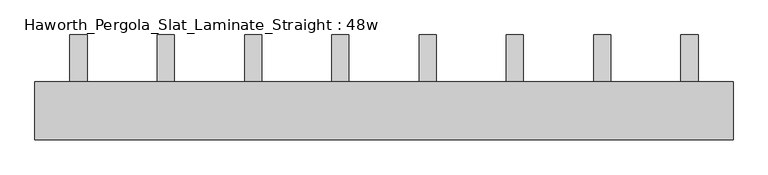
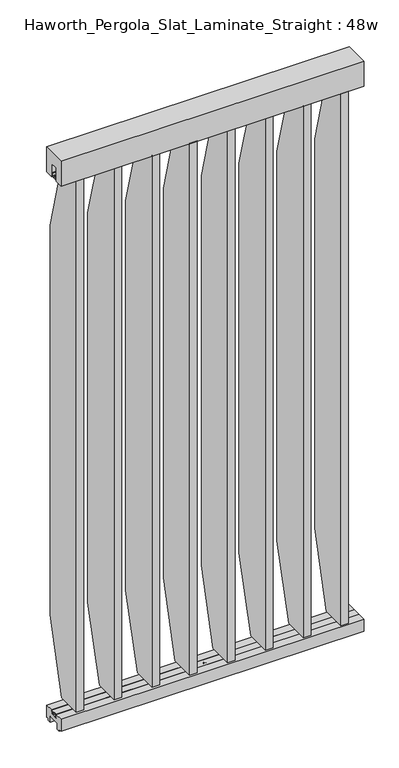
"""IFC4 building model written with IfcOpenShell, lengths in millimetres: furniture geometry, Haworth_Pergola_Slat_Laminate_Straight : 48w."""

from ifc_helpers import new_model, si_unit, point, frame, frame_2d, origin, place, context, project, spatial, polyline, circle_curve, trimmed, segment, composite_curve, outline, extrude, source, transform, mapped, element, save


def haworth_pergola_slat_laminate_straight_48w_37093319(model_context):
    return source(origin(), model_context, "Body", "SweptSolid", [
        extrude(outline(polyline([(50.8, 2438.4), (50.8, 2331.8390625), (15.2182948, 2331.8390625), (15.2182948, 2388.7001663), (-15.2182948, 2388.7001663), (-15.2182948, 2331.8390625), (-50.8, 2331.8390625), (-50.8, 2438.4), (50.8, 2438.4)])), frame((-571.5, 0.0, 0.0), z_axis=(1.0, 0.0, 0.0), x_axis=(0.0, 1.0, 0.0)), (0.0, 0.0, 1.0), 1219.2),
        extrude(outline(polyline([(132.3000005, 2029.6586493), (132.3000005, 372.0587009), (50.7894893, 69.1696429), (-50.8000016, 69.1696429), (-50.8000016, 2332.5477679), (50.7895063, 2332.5477679), (132.3000005, 2029.6586493)])), frame((404.1000003, 0.0, 0.0), z_axis=(1.0, 0.0, 0.0), x_axis=(0.0, 1.0, 0.0)), (0.0, 0.0, 1.0), 29.9999997),
        extrude(outline(composite_curve([segment(trimmed(circle_curve(frame_2d((419.1000001, -1e-07)), 6.0), [point((413.1000001, -1e-07))], [point((425.1000001, -1e-07))], False, "CARTESIAN"), True, "CONTINUOUS"), segment(trimmed(circle_curve(frame_2d((419.1000001, -1e-07)), 6.0), [point((425.1000001, -1e-07))], [point((413.1000001, -1e-07))], False, "CARTESIAN"), True, "CONTINUOUS")], self_intersect=False)), frame((0.0, 0.0, 2332.5477679), z_axis=(0.0, 0.0, 1.0), x_axis=(1.0, 0.0, 0.0)), (0.0, 0.0, 1.0), 4.9609375),
        extrude(outline(composite_curve([segment(trimmed(circle_curve(frame_2d((419.1000001, -1e-07)), 6.0), [point((413.1000001, -1e-07))], [point((425.1000001, -1e-07))], False, "CARTESIAN"), True, "CONTINUOUS"), segment(trimmed(circle_curve(frame_2d((419.1000001, -1e-07)), 6.0), [point((425.1000001, -1e-07))], [point((413.1000001, -1e-07))], False, "CARTESIAN"), True, "CONTINUOUS")], self_intersect=False)), frame((0.0, 0.0, 64.2087054), z_axis=(0.0, 0.0, 1.0), x_axis=(1.0, 0.0, 0.0)), (0.0, 0.0, 1.0), 4.9609375),
        extrude(outline(polyline([(132.3000005, 2030.3673546), (132.3000005, 372.7674062), (50.7894893, 69.8783482), (-50.8000016, 69.8783482), (-50.8000016, 2333.2564732), (50.7895063, 2333.2564732), (132.3000005, 2030.3673546)])), frame((251.7000003, 0.0, 0.0), z_axis=(1.0, 0.0, 0.0), x_axis=(0.0, 1.0, 0.0)), (0.0, 0.0, 1.0), 29.9999997),
        extrude(outline(composite_curve([segment(trimmed(circle_curve(frame_2d((266.7000001, -1e-07)), 6.0), [point((260.7000001, -1e-07))], [point((272.7000001, -1e-07))], False, "CARTESIAN"), True, "CONTINUOUS"), segment(trimmed(circle_curve(frame_2d((266.7000001, -1e-07)), 6.0), [point((272.7000001, -1e-07))], [point((260.7000001, -1e-07))], False, "CARTESIAN"), True, "CONTINUOUS")], self_intersect=False)), frame((0.0, 0.0, 2333.2564732), z_axis=(0.0, 0.0, 1.0), x_axis=(1.0, 0.0, 0.0)), (0.0, 0.0, 1.0), 4.9609375),
        extrude(outline(composite_curve([segment(trimmed(circle_curve(frame_2d((266.7000001, -1e-07)), 6.0), [point((260.7000001, -1e-07))], [point((272.7000001, -1e-07))], False, "CARTESIAN"), True, "CONTINUOUS"), segment(trimmed(circle_curve(frame_2d((266.7000001, -1e-07)), 6.0), [point((272.7000001, -1e-07))], [point((260.7000001, -1e-07))], False, "CARTESIAN"), True, "CONTINUOUS")], self_intersect=False)), frame((0.0, 0.0, 64.9174107), z_axis=(0.0, 0.0, 1.0), x_axis=(1.0, 0.0, 0.0)), (0.0, 0.0, 1.0), 4.9609375),
        extrude(outline(polyline([(132.3000005, 2031.07606), (132.3000005, 373.4761116), (50.7894893, 70.5870536), (-50.8000016, 70.5870536), (-50.8000016, 2333.9651786), (50.7895063, 2333.9651786), (132.3000005, 2031.07606)])), frame((99.3000003, 0.0, 0.0), z_axis=(1.0, 0.0, 0.0), x_axis=(0.0, 1.0, 0.0)), (0.0, 0.0, 1.0), 29.9999997),
        extrude(outline(composite_curve([segment(trimmed(circle_curve(frame_2d((114.3000001, -1e-07)), 6.0), [point((108.3000001, -1e-07))], [point((120.3000001, -1e-07))], False, "CARTESIAN"), True, "CONTINUOUS"), segment(trimmed(circle_curve(frame_2d((114.3000001, -1e-07)), 6.0), [point((120.3000001, -1e-07))], [point((108.3000001, -1e-07))], False, "CARTESIAN"), True, "CONTINUOUS")], self_intersect=False)), frame((0.0, 0.0, 2333.9651786), z_axis=(0.0, 0.0, 1.0), x_axis=(1.0, 0.0, 0.0)), (0.0, 0.0, 1.0), 4.9609375),
        extrude(outline(composite_curve([segment(trimmed(circle_curve(frame_2d((114.3000001, -1e-07)), 6.0), [point((108.3000001, -1e-07))], [point((120.3000001, -1e-07))], False, "CARTESIAN"), True, "CONTINUOUS"), segment(trimmed(circle_curve(frame_2d((114.3000001, -1e-07)), 6.0), [point((120.3000001, -1e-07))], [point((108.3000001, -1e-07))], False, "CARTESIAN"), True, "CONTINUOUS")], self_intersect=False)), frame((0.0, 0.0, 65.6261161), z_axis=(0.0, 0.0, 1.0), x_axis=(1.0, 0.0, 0.0)), (0.0, 0.0, 1.0), 4.9609375),
        extrude(outline(polyline([(132.3000005, 2031.7847654), (132.3000005, 374.1848169), (50.7894893, 71.2957589), (-50.8000016, 71.2957589), (-50.8000016, 2334.6738839), (50.7895063, 2334.6738839), (132.3000005, 2031.7847654)])), frame((-53.0999997, 0.0, 0.0), z_axis=(1.0, 0.0, 0.0), x_axis=(0.0, 1.0, 0.0)), (0.0, 0.0, 1.0), 29.9999997),
        extrude(outline(composite_curve([segment(trimmed(circle_curve(frame_2d((-38.0999999, -1e-07)), 6.0), [point((-44.0999999, -1e-07))], [point((-32.0999999, -1e-07))], False, "CARTESIAN"), True, "CONTINUOUS"), segment(trimmed(circle_curve(frame_2d((-38.0999999, -1e-07)), 6.0), [point((-32.0999999, -1e-07))], [point((-44.0999999, -1e-07))], False, "CARTESIAN"), True, "CONTINUOUS")], self_intersect=False)), frame((0.0, 0.0, 2334.6738839), z_axis=(0.0, 0.0, 1.0), x_axis=(1.0, 0.0, 0.0)), (0.0, 0.0, 1.0), 4.9609375),
        extrude(outline(composite_curve([segment(trimmed(circle_curve(frame_2d((-38.0999999, -1e-07)), 6.0), [point((-44.0999999, -1e-07))], [point((-32.0999999, -1e-07))], False, "CARTESIAN"), True, "CONTINUOUS"), segment(trimmed(circle_curve(frame_2d((-38.0999999, -1e-07)), 6.0), [point((-32.0999999, -1e-07))], [point((-44.0999999, -1e-07))], False, "CARTESIAN"), True, "CONTINUOUS")], self_intersect=False)), frame((0.0, 0.0, 66.3348214), z_axis=(0.0, 0.0, 1.0), x_axis=(1.0, 0.0, 0.0)), (0.0, 0.0, 1.0), 4.9609375),
        extrude(outline(polyline([(132.3000005, 2032.4934707), (132.3000005, 374.8935223), (50.7894893, 72.0044643), (-50.8000016, 72.0044643), (-50.8000016, 2335.3825893), (50.7895063, 2335.3825893), (132.3000005, 2032.4934707)])), frame((-205.4999997, 0.0, 0.0), z_axis=(1.0, 0.0, 0.0), x_axis=(0.0, 1.0, 0.0)), (0.0, 0.0, 1.0), 29.9999997),
        extrude(outline(composite_curve([segment(trimmed(circle_curve(frame_2d((-190.4999999, -1e-07)), 6.0), [point((-196.4999999, -1e-07))], [point((-184.4999999, -1e-07))], False, "CARTESIAN"), True, "CONTINUOUS"), segment(trimmed(circle_curve(frame_2d((-190.4999999, -1e-07)), 6.0), [point((-184.4999999, -1e-07))], [point((-196.4999999, -1e-07))], False, "CARTESIAN"), True, "CONTINUOUS")], self_intersect=False)), frame((0.0, 0.0, 2335.3825893), z_axis=(0.0, 0.0, 1.0), x_axis=(1.0, 0.0, 0.0)), (0.0, 0.0, 1.0), 4.9609375),
        extrude(outline(composite_curve([segment(trimmed(circle_curve(frame_2d((-190.4999999, -1e-07)), 6.0), [point((-196.4999999, -1e-07))], [point((-184.4999999, -1e-07))], False, "CARTESIAN"), True, "CONTINUOUS"), segment(trimmed(circle_curve(frame_2d((-190.4999999, -1e-07)), 6.0), [point((-184.4999999, -1e-07))], [point((-196.4999999, -1e-07))], False, "CARTESIAN"), True, "CONTINUOUS")], self_intersect=False)), frame((0.0, 0.0, 67.0435268), z_axis=(0.0, 0.0, 1.0), x_axis=(1.0, 0.0, 0.0)), (0.0, 0.0, 1.0), 4.9609375),
        extrude(outline(polyline([(132.3000005, 2033.2021761), (132.3000005, 375.6022277), (50.7894893, 72.7131696), (-50.8000016, 72.7131696), (-50.8000016, 2336.0912946), (50.7895063, 2336.0912946), (132.3000005, 2033.2021761)])), frame((-357.8999997, 0.0, 0.0), z_axis=(1.0, 0.0, 0.0), x_axis=(0.0, 1.0, 0.0)), (0.0, 0.0, 1.0), 29.9999997),
        extrude(outline(composite_curve([segment(trimmed(circle_curve(frame_2d((-342.8999999, -1e-07)), 6.0), [point((-348.8999999, -1e-07))], [point((-336.8999999, -1e-07))], False, "CARTESIAN"), True, "CONTINUOUS"), segment(trimmed(circle_curve(frame_2d((-342.8999999, -1e-07)), 6.0), [point((-336.8999999, -1e-07))], [point((-348.8999999, -1e-07))], False, "CARTESIAN"), True, "CONTINUOUS")], self_intersect=False)), frame((0.0, 0.0, 2336.0912946), z_axis=(0.0, 0.0, 1.0), x_axis=(1.0, 0.0, 0.0)), (0.0, 0.0, 1.0), 4.9609375),
        extrude(outline(composite_curve([segment(trimmed(circle_curve(frame_2d((-342.8999999, -1e-07)), 6.0), [point((-348.8999999, -1e-07))], [point((-336.8999999, -1e-07))], False, "CARTESIAN"), True, "CONTINUOUS"), segment(trimmed(circle_curve(frame_2d((-342.8999999, -1e-07)), 6.0), [point((-336.8999999, -1e-07))], [point((-348.8999999, -1e-07))], False, "CARTESIAN"), True, "CONTINUOUS")], self_intersect=False)), frame((0.0, 0.0, 67.7522321), z_axis=(0.0, 0.0, 1.0), x_axis=(1.0, 0.0, 0.0)), (0.0, 0.0, 1.0), 4.9609375),
        extrude(outline(polyline([(132.3000005, 2028.9499439), (132.3000005, 371.3499955), (50.7894893, 68.4609375), (-50.8000016, 68.4609375), (-50.8000016, 2331.8390625), (50.7895063, 2331.8390625), (132.3000005, 2028.9499439)])), frame((556.5000003, 0.0, 0.0), z_axis=(1.0, 0.0, 0.0), x_axis=(0.0, 1.0, 0.0)), (0.0, 0.0, 1.0), 29.9999997),
        extrude(outline(composite_curve([segment(trimmed(circle_curve(frame_2d((571.5000001, -1e-07)), 6.0), [point((565.5000001, -1e-07))], [point((577.5000001, -1e-07))], False, "CARTESIAN"), True, "CONTINUOUS"), segment(trimmed(circle_curve(frame_2d((571.5000001, -1e-07)), 6.0), [point((577.5000001, -1e-07))], [point((565.5000001, -1e-07))], False, "CARTESIAN"), True, "CONTINUOUS")], self_intersect=False)), frame((0.0, 0.0, 2331.8390625), z_axis=(0.0, 0.0, 1.0), x_axis=(1.0, 0.0, 0.0)), (0.0, 0.0, 1.0), 4.9609375),
        extrude(outline(composite_curve([segment(trimmed(circle_curve(frame_2d((571.5000001, -1e-07)), 6.0), [point((565.5000001, -1e-07))], [point((577.5000001, -1e-07))], False, "CARTESIAN"), True, "CONTINUOUS"), segment(trimmed(circle_curve(frame_2d((571.5000001, -1e-07)), 6.0), [point((577.5000001, -1e-07))], [point((565.5000001, -1e-07))], False, "CARTESIAN"), True, "CONTINUOUS")], self_intersect=False)), frame((0.0, 0.0, 63.5), z_axis=(0.0, 0.0, 1.0), x_axis=(1.0, 0.0, 0.0)), (0.0, 0.0, 1.0), 4.9609375),
        extrude(outline(polyline([(132.3000005, 2033.9108814), (132.3000005, 376.310933), (50.7894893, 73.421875), (-50.8000016, 73.421875), (-50.8000016, 2336.8), (50.7895063, 2336.8), (132.3000005, 2033.9108814)])), frame((-510.2999997, 0.0, 0.0), z_axis=(1.0, 0.0, 0.0), x_axis=(0.0, 1.0, 0.0)), (0.0, 0.0, 1.0), 29.9999997),
        extrude(outline(composite_curve([segment(trimmed(circle_curve(frame_2d((-495.2999999, -1e-07)), 6.0), [point((-501.2999999, -1e-07))], [point((-489.2999999, -1e-07))], False, "CARTESIAN"), True, "CONTINUOUS"), segment(trimmed(circle_curve(frame_2d((-495.2999999, -1e-07)), 6.0), [point((-489.2999999, -1e-07))], [point((-501.2999999, -1e-07))], False, "CARTESIAN"), True, "CONTINUOUS")], self_intersect=False)), frame((0.0, 0.0, 2336.8), z_axis=(0.0, 0.0, 1.0), x_axis=(1.0, 0.0, 0.0)), (0.0, 0.0, 1.0), 4.9609375),
        extrude(outline(composite_curve([segment(trimmed(circle_curve(frame_2d((-495.2999999, -1e-07)), 6.0), [point((-501.2999999, -1e-07))], [point((-489.2999999, -1e-07))], False, "CARTESIAN"), True, "CONTINUOUS"), segment(trimmed(circle_curve(frame_2d((-495.2999999, -1e-07)), 6.0), [point((-489.2999999, -1e-07))], [point((-501.2999999, -1e-07))], False, "CARTESIAN"), True, "CONTINUOUS")], self_intersect=False)), frame((0.0, 0.0, 68.4609375), z_axis=(0.0, 0.0, 1.0), x_axis=(1.0, 0.0, 0.0)), (0.0, 0.0, 1.0), 4.9609375),
        extrude(outline(polyline([(7.8249998, 61.7499993), (7.8249998, 50.0999996), (4.8250001, 50.0999996), (4.8250001, 61.7499993), (-11.8250005, 61.7499993), (-11.8250005, 50.2499995), (-13.3999997, 50.2499995), (-13.3999997, 61.7499999), (-15.2249996, 61.7499999), (-15.2249996, 63.5), (15.2249995, 63.5), (15.2249995, 61.7499993), (7.8249998, 61.7499993)])), frame((-571.5, 0.0, 0.0), z_axis=(1.0, 0.0, 0.0), x_axis=(0.0, 1.0, 0.0)), (0.0, 0.0, 1.0), 1219.2),
        extrude(outline(polyline([(16.2000002, 63.5), (50.0000003, 63.5), (50.0000003, 12.6999985), (40.9499986, 12.6999985), (38.949998, 10.6999979), (28.9499998, 10.6999979), (28.9499998, 7.6999994), (38.949998, 7.6999994), (38.949998, 5.6999988), (23.7499992, 5.6999988), (23.7499992, 31.4500009), (-23.7499993, 31.4500009), (-23.7499993, 5.6999988), (-38.9499981, 5.6999988), (-38.9499981, 7.6999994), (-28.9499999, 7.6999994), (-28.9499999, 10.6999979), (-38.9499981, 10.6999979), (-40.9499987, 12.6999985), (-50.0000004, 12.6999985), (-50.0000004, 63.5), (-16.2000003, 63.5), (-16.5085718, 61.7499999), (-13.3999997, 61.7499999), (-13.3999997, 58.8973461), (-15.4000003, 59.2499999), (-15.4000003, 48.3500004), (15.4000002, 48.3500004), (15.4000002, 59.2499999), (13.3999996, 58.8973461), (13.3999996, 61.7499999), (16.5085717, 61.7499999), (16.2000002, 63.5)])), frame((-571.5, 0.0, 0.0), z_axis=(1.0, 0.0, 0.0), x_axis=(0.0, 1.0, 0.0)), (0.0, 0.0, 1.0), 1219.2),
        extrude(outline(polyline([(-7.8249999, 2338.5500385), (-7.8250005, 2350.2000542), (-4.8250002, 2350.2000542), (-4.8250002, 2338.5500385), (11.8250004, 2338.5500385), (11.8249992, 2350.0500633), (13.3999996, 2350.0500633), (13.3999996, 2338.5500385), (15.2249995, 2338.5500385), (15.2249995, 2336.8), (-15.2249996, 2336.8), (-15.2249996, 2338.5500385), (-7.8249999, 2338.5500385)])), frame((-571.5, 0.0, 0.0), z_axis=(1.0, 0.0, 0.0), x_axis=(0.0, 1.0, 0.0)), (0.0, 0.0, 1.0), 1219.2),
        extrude(outline(composite_curve([segment(trimmed(circle_curve(frame_2d((38.1000001, -1e-07)), 6.0), [point((32.1000001, -1e-07))], [point((44.1000001, -1e-07))], False, "CARTESIAN"), True, "CONTINUOUS"), segment(trimmed(circle_curve(frame_2d((38.1000001, -1e-07)), 6.0), [point((44.1000001, -1e-07))], [point((32.1000001, -1e-07))], False, "CARTESIAN"), True, "CONTINUOUS")], self_intersect=False)), frame((0.0, 0.0, 2319.1390625), z_axis=(0.0, 0.0, 1.0), x_axis=(1.0, 0.0, 0.0)), (0.0, 0.0, 1.0), 17.6609375),
        extrude(outline(composite_curve([segment(trimmed(circle_curve(frame_2d((38.1000001, -1e-07)), 6.0), [point((32.1000001, -1e-07))], [point((44.1000001, -1e-07))], False, "CARTESIAN"), True, "CONTINUOUS"), segment(trimmed(circle_curve(frame_2d((38.1000001, -1e-07)), 6.0), [point((44.1000001, -1e-07))], [point((32.1000001, -1e-07))], False, "CARTESIAN"), True, "CONTINUOUS")], self_intersect=False)), frame((0.0, 0.0, 55.7609375), z_axis=(0.0, 0.0, 1.0), x_axis=(1.0, 0.0, 0.0)), (0.0, 0.0, 1.0), 7.7390625),
    ])


if __name__ == "__main__":
    model = new_model("IFC4")
    model_context = context("Model", 3, world=origin())
    ifc_project = project(units=[si_unit("LENGTHUNIT", "METRE", prefix="MILLI")], contexts=[model_context])
    site = spatial("IfcSite", under=ifc_project)
    building = spatial("IfcBuilding", under=site)
    placement = place(None, origin())
    haworth_pergola_slat_laminate_straight_48w_shape = haworth_pergola_slat_laminate_straight_48w_37093319(model_context)
    element("IfcFurniture", 1, ObjectType="Haworth_Pergola_Slat_Laminate_Straight : 48w", at=placement, inside=building, context=model_context, shape_type="MappedRepresentation", body=[
        mapped(haworth_pergola_slat_laminate_straight_48w_shape, transform((0.0, 0.0, 0.0), x_axis=(1.0, 0.0, 0.0), y_axis=(0.0, 1.0, 0.0), z_axis=(0.0, 0.0, 1.0))),
    ])
    save(model, "model.ifc")
